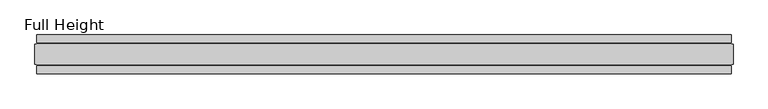
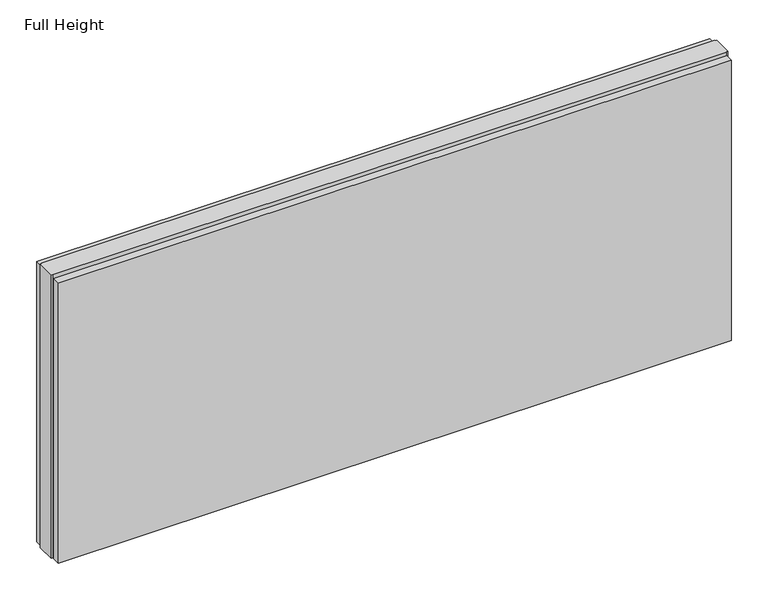
"""IFC4 building model written with IfcOpenShell, lengths in millimetres: plate geometry, Full Height."""

from ifc_helpers import new_model, si_unit, origin, origin_with_axes, place, context, project, spatial, polyline, outline, extrude, source, transform, mapped, element, save


def full_height_f4dc88f5(model_context):
    return source(origin(), model_context, "Body", "SweptSolid", [
        extrude(outline(polyline([(886.0091214, -28.956), (886.0091214, -49.53), (-886.0091214, -49.53), (-886.0091214, -28.956), (886.0091214, -28.956)])), origin_with_axes(), (0.0, 0.0, 1.0), 780.796),
        extrude(outline(polyline([(886.0091214, 28.956), (-886.0091214, 28.956), (-886.0091214, 49.53), (886.0091214, 49.53), (886.0091214, 28.956)])), origin_with_axes(), (0.0, 0.0, 1.0), 780.796),
        extrude(outline(polyline([(886.0091214, 25.146), (890.5811214, 25.146), (890.5811214, -25.146), (886.0091214, -25.146), (886.0091214, -26.67), (-886.0091214, -26.67), (-886.0091214, -25.146), (-890.5811214, -25.146), (-890.5811214, 25.146), (-886.0091214, 25.146), (-886.0091214, 26.67), (886.0091214, 26.67), (886.0091214, 25.146)])), origin_with_axes(), (0.0, 0.0, 1.0), 789.94),
    ])


if __name__ == "__main__":
    model = new_model("IFC4")
    model_context = context("Model", 3, world=origin())
    ifc_project = project(units=[si_unit("LENGTHUNIT", "METRE", prefix="MILLI")], contexts=[model_context])
    site = spatial("IfcSite", under=ifc_project)
    building = spatial("IfcBuilding", under=site)
    placement = place(None, origin())
    full_height_shape = full_height_f4dc88f5(model_context)
    element("IfcPlate", 1, ObjectType="Full Height", at=placement, inside=building, context=model_context, shape_type="MappedRepresentation", body=[
        mapped(full_height_shape, transform((0.0, 0.0, 0.0), x_axis=(1.0, 0.0, 0.0), y_axis=(0.0, 1.0, 0.0), z_axis=(0.0, 0.0, 1.0))),
    ])
    save(model, "model.ifc")
